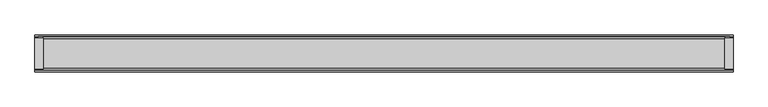
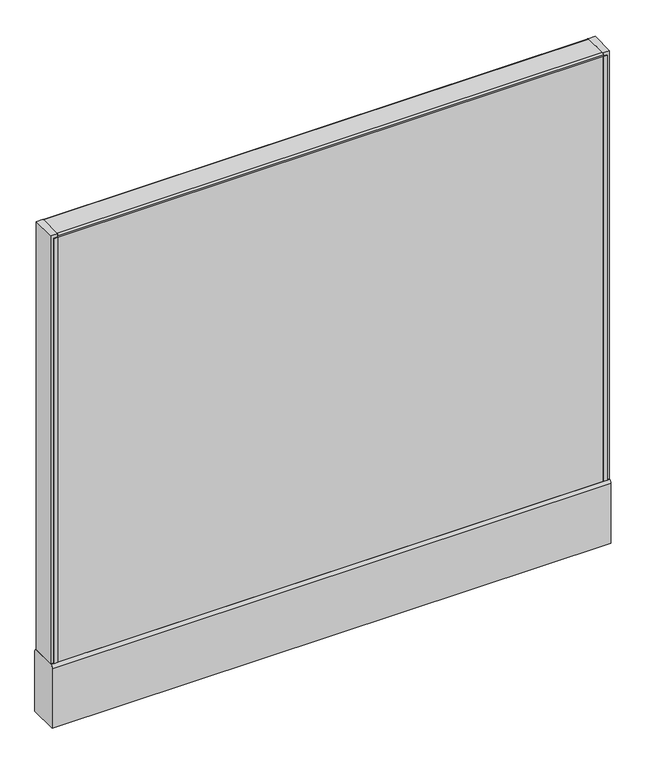
"""IFC4 building model written with IfcOpenShell, lengths in millimetres: furniture geometry."""

import ifcopenshell
import ifcopenshell.guid

model = None  # the IFC model being written
_history = None  # IfcOwnerHistory: only IFC2X3 demands one
_inside = {}  # id of a spatial element -> (the spatial element, [elements in it])
_under = {}  # id of a project, library or spatial element -> (it, [spatial elements below it])
_declared = {}  # id of a project -> (the project, [libraries it declares])
_typed = {}  # id of a type object -> (the type object, [elements of that type])
_made_of = {}  # id of a material, layer set ... -> (it, [elements and type objects made of it])


def new_model(schema):
    """Start an empty IFC model of exactly this schema.

    Asked for "IFC4X3", IfcOpenShell would pick the latest addendum, in which some entities
    have other attributes; the version numbers below select the first issue.
    IFC2X3 requires an IfcOwnerHistory on every rooted entity: one is made here for all.
    """
    global model, _history
    if schema == "IFC4X3":
        model = ifcopenshell.file(schema_version=(4, 3, 0, 0))
    else:
        model = ifcopenshell.file(schema=schema)
    _inside.clear()
    _under.clear()
    _declared.clear()
    _typed.clear()
    _made_of.clear()
    _history = None
    if model.schema == "IFC2X3":
        org = make("IfcOrganization", Name="unknown")
        user = make(
            "IfcPersonAndOrganization",
            ThePerson=make("IfcPerson", FamilyName="unknown"),
            TheOrganization=org,
        )
        app = make(
            "IfcApplication",
            ApplicationDeveloper=org,
            Version="unknown",
            ApplicationFullName="unknown",
            ApplicationIdentifier="unknown",
        )
        _history = make(
            "IfcOwnerHistory",
            OwningUser=user,
            OwningApplication=app,
            ChangeAction="ADDED",
            CreationDate=0,
        )
    return model


def make(cls, **values):
    """One entity of the class cls with the attributes given. An attribute that is None is left unset."""
    return model.create_entity(
        cls, **{name: value for name, value in values.items() if value is not None}
    )


def rooted(cls, **values):
    """An entity with a GlobalId (a new one), such as an element, a storey or a relation."""
    return make(cls, GlobalId=ifcopenshell.guid.new(), OwnerHistory=_history, **values)


def si_unit(unit_type, name, prefix=None):
    """IfcSIUnit, for example si_unit("LENGTHUNIT", "METRE", prefix="MILLI")."""
    return make("IfcSIUnit", UnitType=unit_type, Prefix=prefix, Name=name)


def assignment(units):
    """IfcUnitAssignment: the units of a project."""
    return None if units is None else make("IfcUnitAssignment", Units=units)


def point(xyz):
    """IfcCartesianPoint."""
    return None if xyz is None else make("IfcCartesianPoint", Coordinates=xyz)


def direction(xyz):
    """IfcDirection."""
    return None if xyz is None else make("IfcDirection", DirectionRatios=xyz)


def frame(location, z_axis=None, x_axis=None):
    """IfcAxis2Placement3D, a coordinate frame: its origin and axes. An axis left out is left unset."""
    return make(
        "IfcAxis2Placement3D",
        Location=point(location),
        Axis=direction(z_axis),
        RefDirection=direction(x_axis),
    )


def frame_2d(location, x_axis=None):
    """IfcAxis2Placement2D, a coordinate frame in the plane: its origin and x axis."""
    return make(
        "IfcAxis2Placement2D", Location=point(location), RefDirection=direction(x_axis)
    )


def origin():
    """The frame at (0, 0, 0) with its axes left unset."""
    return frame((0.0, 0.0, 0.0))


def place(relative_to, where):
    """IfcLocalPlacement: puts the frame where relative to a parent placement (None: the world)."""
    return make(
        "IfcLocalPlacement", PlacementRelTo=relative_to, RelativePlacement=where
    )


def context(
    kind, dimensions, precision=None, world=None, true_north=None, identifier=None
):
    """IfcGeometricRepresentationContext, for example the 3D "Model" context."""
    return make(
        "IfcGeometricRepresentationContext",
        ContextIdentifier=identifier,
        ContextType=kind,
        CoordinateSpaceDimension=dimensions,
        Precision=precision,
        WorldCoordinateSystem=world,
        TrueNorth=true_north,
    )


def project(units=None, contexts=None):
    """IfcProject with its units and contexts."""
    return rooted(
        "IfcProject",
        Name="project",
        RepresentationContexts=contexts,
        UnitsInContext=assignment(units),
    )


def spatial(cls, under=None, at=None, **own):
    """A site, building, storey or space (cls), placed at a placement, below another one or the project."""
    s = rooted(cls, ObjectPlacement=at, **own)
    if under is not None:
        _under.setdefault(under.id(), (under, []))[1].append(s)
    return s


def polyline(points):
    """IfcPolyline through the points."""
    return make("IfcPolyline", Points=[point(p) for p in points])


def circle_curve(where, radius):
    """IfcCircle in the frame where."""
    return make("IfcCircle", Position=where, Radius=radius)


def trimmed(basis, trim1, trim2, sense, master):
    """IfcTrimmedCurve: the piece of a basis curve between two trims."""
    return make(
        "IfcTrimmedCurve",
        BasisCurve=basis,
        Trim1=trim1,
        Trim2=trim2,
        SenseAgreement=sense,
        MasterRepresentation=master,
    )


def segment(curve, same_sense, transition):
    """IfcCompositeCurveSegment."""
    return make(
        "IfcCompositeCurveSegment",
        Transition=transition,
        SameSense=same_sense,
        ParentCurve=curve,
    )


def composite_curve(segments, self_intersect=None):
    """IfcCompositeCurve: segments joined end to end."""
    return make("IfcCompositeCurve", Segments=segments, SelfIntersect=self_intersect)


def outline(outer, holes=None, kind="AREA"):
    """IfcArbitraryClosedProfileDef: a profile drawn as a closed curve; with holes, ...WithVoids."""
    if holes is None:
        return make("IfcArbitraryClosedProfileDef", ProfileType=kind, OuterCurve=outer)
    return make(
        "IfcArbitraryProfileDefWithVoids",
        ProfileType=kind,
        OuterCurve=outer,
        InnerCurves=holes,
    )


def extrude(swept, where, along, depth):
    """IfcExtrudedAreaSolid: the profile swept, set in the frame where, extruded along a direction by depth."""
    return make(
        "IfcExtrudedAreaSolid",
        SweptArea=swept,
        Position=where,
        ExtrudedDirection=direction(along),
        Depth=depth,
    )


def shape(context_of_items, identifier, shape_type, items):
    """IfcShapeRepresentation: the items that make up one representation, for example the "Body"."""
    return make(
        "IfcShapeRepresentation",
        ContextOfItems=context_of_items,
        RepresentationIdentifier=identifier,
        RepresentationType=shape_type,
        Items=items,
    )


def source(mapping_origin, context_of_items, identifier, shape_type, items):
    """IfcRepresentationMap: a shape defined once, which mapped items show again and again."""
    return make(
        "IfcRepresentationMap",
        MappingOrigin=mapping_origin,
        MappedRepresentation=shape(context_of_items, identifier, shape_type, items),
    )


def transform(
    local_origin,
    x_axis=None,
    y_axis=None,
    z_axis=None,
    scale=None,
    scale2=None,
    scale3=None,
    uniform=True,
):
    """IfcCartesianTransformationOperator3D, or its non-uniform kind. x_axis, y_axis, z_axis: its Axis1, 2, 3."""
    if uniform:
        return make(
            "IfcCartesianTransformationOperator3D",
            Axis1=direction(x_axis),
            Axis2=direction(y_axis),
            LocalOrigin=point(local_origin),
            Scale=scale,
            Axis3=direction(z_axis),
        )
    return make(
        "IfcCartesianTransformationOperator3DnonUniform",
        Axis1=direction(x_axis),
        Axis2=direction(y_axis),
        LocalOrigin=point(local_origin),
        Scale=scale,
        Axis3=direction(z_axis),
        Scale2=scale2,
        Scale3=scale3,
    )


def mapped(mapping_source, mapping_target):
    """IfcMappedItem: shows the shape of a source again, moved by a transform."""
    return make(
        "IfcMappedItem", MappingSource=mapping_source, MappingTarget=mapping_target
    )


def made_of(thing, what):
    """Note that an element or type object is made of a material, layer set ...; save() writes the relation."""
    if what is not None:
        _made_of.setdefault(what.id(), (what, []))[1].append(thing)
    return thing


def element(
    cls,
    number,
    at=None,
    inside=None,
    cuts=None,
    type_object=None,
    material=None,
    context=None,
    identifier="Body",
    shape_type=None,
    held_by="IfcProductDefinitionShape",
    body=None,
    shapes=None,
    **own,
):
    """One element of the class cls, such as IfcWall. Its Tag is "e" and its number.

    at: its placement. inside: the storey or other place that contains it. cuts: it is an
    opening in that element (IfcRelVoidsElement). A single representation is given by context,
    identifier, shape_type and body (its items); several are given by shapes. held_by: the class
    of the entity that holds the representations. save() writes the other relations.
    """
    e = rooted(cls, Tag="e%d" % number, ObjectPlacement=at, **own)
    if body is not None:
        shapes = [shape(context, identifier, shape_type, body)]
    if shapes is not None:
        e.Representation = make(held_by, Representations=shapes)
    if inside is not None:
        _inside.setdefault(inside.id(), (inside, []))[1].append(e)
    if cuts is not None:
        rooted(
            "IfcRelVoidsElement", RelatingBuildingElement=cuts, RelatedOpeningElement=e
        )
    if type_object is not None:
        _typed.setdefault(type_object.id(), (type_object, []))[1].append(e)
    return made_of(e, material)


def aggregate(whole, parts):
    """IfcRelAggregates: a whole, such as a stair, and the parts it consists of."""
    return rooted("IfcRelAggregates", RelatingObject=whole, RelatedObjects=parts)


def save(model, path):
    """Write the relations noted so far, then the file.

    IfcRelAggregates (storeys below a building ...), IfcRelContainedInSpatialStructure (elements
    in a storey), IfcRelDefinesByType, IfcRelAssociatesMaterial and IfcRelDeclares: one each for
    every whole, place, type object, material and project.
    """
    for whole, parts in _under.values():
        aggregate(whole, parts)
    for where, things in _inside.values():
        rooted(
            "IfcRelContainedInSpatialStructure",
            RelatedElements=things,
            RelatingStructure=where,
        )
    for kind, things in _typed.values():
        rooted("IfcRelDefinesByType", RelatedObjects=things, RelatingType=kind)
    for what, things in _made_of.values():
        rooted("IfcRelAssociatesMaterial", RelatedObjects=things, RelatingMaterial=what)
    for by, libraries in _declared.values():
        rooted("IfcRelDeclares", RelatingContext=by, RelatedDefinitions=libraries)
    model.write(path)


def plane_surface(at):
    """IfcPlane: the flat surface through the origin of the frame at, square to its z axis."""
    return make("IfcPlane", Position=at)


def cylinder_surface(at, radius):
    """IfcCylindricalSurface: all points at the distance radius from the z axis of the frame at."""
    return make("IfcCylindricalSurface", Position=at, Radius=radius)


def advanced_brep(points, edges, surfaces, faces):
    """IfcAdvancedBrep: a solid bounded by faces that lie on surfaces and meet in shared edges.

    An edge is (start, end): straight between two places in points (the first is 0);
    or (start, end, curve); or (start, end, curve, False) where it runs against its curve.
    A face is (place in surfaces, loops), or (place, loops, False) where it looks against
    its surface's normal. A loop lists edges by number (the first is 1), with a minus sign
    where the edge is run from its end to its start. The first loop is the outer one.
    """
    corners = [point(p) for p in points]
    vertices = [make("IfcVertexPoint", VertexGeometry=c) for c in corners]
    made = []
    for start, end, *more in edges:
        made.append(
            make(
                "IfcEdgeCurve",
                EdgeStart=vertices[start],
                EdgeEnd=vertices[end],
                EdgeGeometry=more[0] if more else make("IfcPolyline", Points=[corners[start], corners[end]]),
                SameSense=more[1] if len(more) > 1 else True,
            )
        )
    hull = []
    for where, loops, *sense in faces:
        bounds = []
        for j, loop in enumerate(loops):
            ring = [make("IfcOrientedEdge", EdgeElement=made[abs(k) - 1], Orientation=k > 0) for k in loop]
            bounds.append(
                make(
                    "IfcFaceOuterBound" if j == 0 else "IfcFaceBound",
                    Bound=make("IfcEdgeLoop", EdgeList=ring),
                    Orientation=True,
                )
            )
        hull.append(make("IfcAdvancedFace", Bounds=bounds, FaceSurface=surfaces[where], SameSense=sense[0] if sense else True))
    return make("IfcAdvancedBrep", Outer=make("IfcClosedShell", CfsFaces=hull))


def furniture_7e005510(model_context):
    return source(origin(), model_context, "Body", "SolidModel", [
        extrude(outline(polyline([(520.7, 25.4), (520.7, 0.0), (-520.7, 0.0), (-520.7, 25.4), (520.7, 25.4)])), frame((0.0, 0.0, 136.525), z_axis=(0.0, 0.0, 1.0), x_axis=(1.0, 0.0, 0.0)), (0.0, 0.0, 1.0), 857.25),
        advanced_brep(
        [(476.25, 0.0, 0.0), (501.65, 0.0, 0.0), (488.95, 0.0, 0.0), (476.25, 0.0, 4.7625), (501.65, 0.0, 4.7625), (482.6, 0.0, 4.7625), (495.3, 0.0, 4.7625), (482.6, 0.0, 111.125), (495.3, 0.0, 111.125), (488.95, 0.0, 111.125)],
        [
            (0, 1, circle_curve(frame((488.95, 0.0, 0.0), z_axis=(0.0, 0.0, -1.0), x_axis=(1.0, 0.0, 0.0)), 12.7)),
            (1, 2),
            (2, 0),
            (1, 0, circle_curve(frame((488.95, 0.0, 0.0), z_axis=(0.0, 0.0, -1.0), x_axis=(1.0, 0.0, 0.0)), 12.7)),
            (3, 4, circle_curve(frame((488.95, 0.0, 4.7625), z_axis=(0.0, 0.0, -1.0), x_axis=(1.0, 0.0, 0.0)), 12.7)),
            (4, 1),
            (0, 3),
            (4, 3, circle_curve(frame((488.95, 0.0, 4.7625), z_axis=(0.0, 0.0, -1.0), x_axis=(1.0, 0.0, 0.0)), 12.7)),
            (5, 6, circle_curve(frame((488.95, 0.0, 4.7625), z_axis=(0.0, 0.0, -1.0), x_axis=(1.0, 0.0, 0.0)), 6.35)),
            (6, 4),
            (3, 5),
            (6, 5, circle_curve(frame((488.95, 0.0, 4.7625), z_axis=(0.0, 0.0, -1.0), x_axis=(1.0, 0.0, 0.0)), 6.35)),
            (7, 8, circle_curve(frame((488.95, 0.0, 111.125), z_axis=(0.0, 0.0, -1.0), x_axis=(1.0, 0.0, 0.0)), 6.35)),
            (8, 6),
            (5, 7),
            (8, 7, circle_curve(frame((488.95, 0.0, 111.125), z_axis=(0.0, 0.0, -1.0), x_axis=(1.0, 0.0, 0.0)), 6.35)),
            (9, 8),
            (7, 9),
        ],
        [
            plane_surface(frame((488.95, 0.0, 0.0), z_axis=(0.0, 0.0, -1.0), x_axis=(1.0, 0.0, 0.0))),
            cylinder_surface(frame((488.95, 0.0, 114.882153), z_axis=(0.0, 0.0, 1.0), x_axis=(1.0, 0.0, 0.0)), 12.7),
            plane_surface(frame((488.95, 0.0, 4.7625), z_axis=(0.0, 0.0, 1.0), x_axis=(1.0, 0.0, 0.0))),
            cylinder_surface(frame((488.95, 0.0, 114.882153), z_axis=(0.0, 0.0, 1.0), x_axis=(1.0, 0.0, 0.0)), 6.35),
            plane_surface(frame((488.95, 0.0, 111.125), z_axis=(0.0, 0.0, 1.0), x_axis=(1.0, 0.0, 0.0))),
        ],
        [
            (0, [[1, 2, 3]]),
            (0, [[4, -3, -2]]),
            (1, [[5, 6, -1, 7]]),
            (1, [[8, -7, -4, -6]]),
            (2, [[9, 10, -5, 11]]),
            (2, [[12, -11, -8, -10]]),
            (3, [[13, 14, -9, 15]]),
            (3, [[16, -15, -12, -14]]),
            (4, [[17, -13, 18]]),
            (4, [[-18, -16, -17]]),
        ],
    ),
        advanced_brep(
        [(-501.65, 0.0, 4.7625), (-476.25, 0.0, 4.7625), (-476.25, 0.0, 0.0), (-501.65, 0.0, 0.0), (-495.3, 0.0, 4.7625), (-482.6, 0.0, 4.7625), (-495.3, 0.0, 111.125), (-482.6, 0.0, 111.125), (-488.95, 0.0, 111.125), (-488.95, 0.0, 0.0)],
        [
            (0, 1, circle_curve(frame((-488.95, 0.0, 4.7625), z_axis=(0.0, 0.0, -1.0), x_axis=(1.0, 0.0, 0.0)), 12.7)),
            (1, 2),
            (2, 3, circle_curve(frame((-488.95, 0.0, 0.0), z_axis=(0.0, 0.0, 1.0), x_axis=(1.0, 0.0, 0.0)), 12.7)),
            (3, 0),
            (1, 0, circle_curve(frame((-488.95, 0.0, 4.7625), z_axis=(0.0, 0.0, -1.0), x_axis=(1.0, 0.0, 0.0)), 12.7)),
            (3, 2, circle_curve(frame((-488.95, 0.0, 0.0), z_axis=(0.0, 0.0, 1.0), x_axis=(1.0, 0.0, 0.0)), 12.7)),
            (4, 5, circle_curve(frame((-488.95, 0.0, 4.7625), z_axis=(0.0, 0.0, -1.0), x_axis=(1.0, 0.0, 0.0)), 6.35)),
            (5, 1),
            (0, 4),
            (5, 4, circle_curve(frame((-488.95, 0.0, 4.7625), z_axis=(0.0, 0.0, -1.0), x_axis=(1.0, 0.0, 0.0)), 6.35)),
            (6, 7, circle_curve(frame((-488.95, 0.0, 111.125), z_axis=(0.0, 0.0, -1.0), x_axis=(1.0, 0.0, 0.0)), 6.35)),
            (7, 5),
            (4, 6),
            (7, 6, circle_curve(frame((-488.95, 0.0, 111.125), z_axis=(0.0, 0.0, -1.0), x_axis=(1.0, 0.0, 0.0)), 6.35)),
            (8, 7),
            (6, 8),
            (2, 9),
            (9, 3),
        ],
        [
            cylinder_surface(frame((-488.95, 0.0, 123.825), z_axis=(0.0, 0.0, 1.0), x_axis=(1.0, 0.0, 0.0)), 12.7),
            plane_surface(frame((-488.95, 0.0, 4.7625), z_axis=(0.0, 0.0, 1.0), x_axis=(1.0, 0.0, 0.0))),
            cylinder_surface(frame((-488.95, 0.0, 123.825), z_axis=(0.0, 0.0, 1.0), x_axis=(1.0, 0.0, 0.0)), 6.35),
            plane_surface(frame((-488.95, 0.0, 111.125), z_axis=(0.0, 0.0, 1.0), x_axis=(1.0, 0.0, 0.0))),
            plane_surface(frame((-488.95, 0.0, 0.0), z_axis=(0.0, 0.0, -1.0), x_axis=(1.0, 0.0, 0.0))),
        ],
        [
            (0, [[1, 2, 3, 4]]),
            (0, [[5, -4, 6, -2]]),
            (1, [[7, 8, -1, 9]]),
            (1, [[10, -9, -5, -8]]),
            (2, [[11, 12, -7, 13]]),
            (2, [[14, -13, -10, -12]]),
            (3, [[15, -11, 16]]),
            (3, [[-16, -14, -15]]),
            (4, [[-3, 17, 18]]),
            (4, [[-6, -18, -17]]),
        ],
    ),
        extrude(outline(polyline([(-533.4, 23.8125), (-520.7, 23.8125), (-520.7, -23.8125), (-533.4, -23.8125), (-533.4, 23.8125)])), frame((0.0, 0.0, 136.525), z_axis=(0.0, 0.0, 1.0), x_axis=(1.0, 0.0, 0.0)), (0.0, 0.0, 1.0), 863.6),
        extrude(outline(polyline([(533.4, 23.8125), (533.4, -23.8125), (520.7, -23.8125), (520.7, 23.8125), (533.4, 23.8125)])), frame((0.0, 0.0, 136.525), z_axis=(0.0, 0.0, 1.0), x_axis=(1.0, 0.0, 0.0)), (0.0, 0.0, 1.0), 863.6),
        extrude(outline(polyline([(-520.7, 25.4), (-520.7, 23.8125), (-528.6375, 23.8125), (-528.6375, 25.4), (-520.7, 25.4)])), frame((0.0, 0.0, 136.525), z_axis=(0.0, 0.0, 1.0), x_axis=(1.0, 0.0, 0.0)), (0.0, 0.0, 1.0), 857.25),
        extrude(outline(polyline([(-520.7, -25.4), (-528.6375, -25.4), (-528.6375, -23.8125), (-520.7, -23.8125), (-520.7, -25.4)])), frame((0.0, 0.0, 136.525), z_axis=(0.0, 0.0, 1.0), x_axis=(1.0, 0.0, 0.0)), (0.0, 0.0, 1.0), 857.25),
        extrude(outline(polyline([(528.6375, 25.4), (528.6375, 23.8125), (520.7, 23.8125), (520.7, 25.4), (528.6375, 25.4)])), frame((0.0, 0.0, 136.525), z_axis=(0.0, 0.0, 1.0), x_axis=(1.0, 0.0, 0.0)), (0.0, 0.0, 1.0), 857.25),
        extrude(outline(polyline([(520.7, -23.8125), (528.6375, -23.8125), (528.6375, -25.4), (520.7, -25.4), (520.7, -23.8125)])), frame((0.0, 0.0, 136.525), z_axis=(0.0, 0.0, 1.0), x_axis=(1.0, 0.0, 0.0)), (0.0, 0.0, 1.0), 857.25),
        extrude(outline(composite_curve([segment(trimmed(circle_curve(frame_2d((22.225, 996.95)), 3.175), [point((22.225, 1000.125))], [point((25.4, 996.95))], False, "CARTESIAN"), True, "CONTINUOUS"), segment(polyline([(25.4, 996.95), (25.4, 993.775), (-25.4, 993.775), (-25.4, 996.95)]), True, "CONTINUOUS"), segment(trimmed(circle_curve(frame_2d((-22.225, 996.95)), 3.175), [point((-25.4, 996.95))], [point((-22.225, 1000.125))], False, "CARTESIAN"), True, "CONTINUOUS"), segment(polyline([(-22.225, 1000.125), (22.225, 1000.125)]), True, "CONTINUOUS")], self_intersect=False)), frame((-520.7, 0.0, 0.0), z_axis=(1.0, 0.0, 0.0), x_axis=(0.0, 1.0, 0.0)), (0.0, 0.0, 1.0), 1041.4),
        extrude(outline(composite_curve([segment(trimmed(circle_curve(frame_2d((20.6375, 130.175)), 7.9375), [point((25.4, 136.525))], [point((28.575, 130.175))], False, "CARTESIAN"), True, "CONTINUOUS"), segment(polyline([(28.575, 130.175), (28.575, 9.525), (-28.575, 9.525), (-28.575, 130.175)]), True, "CONTINUOUS"), segment(trimmed(circle_curve(frame_2d((-20.6375, 130.175)), 7.9375), [point((-28.575, 130.175))], [point((-25.4, 136.525))], False, "CARTESIAN"), True, "CONTINUOUS"), segment(polyline([(-25.4, 136.525), (25.4, 136.525)]), True, "CONTINUOUS")], self_intersect=False)), frame((-533.4, 0.0, 0.0), z_axis=(1.0, 0.0, 0.0), x_axis=(0.0, 1.0, 0.0)), (0.0, 0.0, 1.0), 1066.8),
        extrude(outline(polyline([(520.7, 0.0), (520.7, -25.4), (-520.7, -25.4), (-520.7, 0.0), (520.7, 0.0)])), frame((0.0, 0.0, 136.525), z_axis=(0.0, 0.0, 1.0), x_axis=(1.0, 0.0, 0.0)), (0.0, 0.0, 1.0), 857.25),
    ])


if __name__ == "__main__":
    model = new_model("IFC4")
    model_context = context("Model", 3, world=origin())
    ifc_project = project(units=[si_unit("LENGTHUNIT", "METRE", prefix="MILLI")], contexts=[model_context])
    site = spatial("IfcSite", under=ifc_project)
    building = spatial("IfcBuilding", under=site)
    placement = place(None, origin())
    furniture_shape = furniture_7e005510(model_context)
    element("IfcFurniture", 1, at=placement, inside=building, context=model_context, shape_type="MappedRepresentation", body=[
        mapped(furniture_shape, transform((0.0, 0.0, 0.0), x_axis=(1.0, 0.0, 0.0), y_axis=(0.0, 1.0, 0.0), z_axis=(0.0, 0.0, 1.0))),
    ])
    save(model, "model.ifc")
